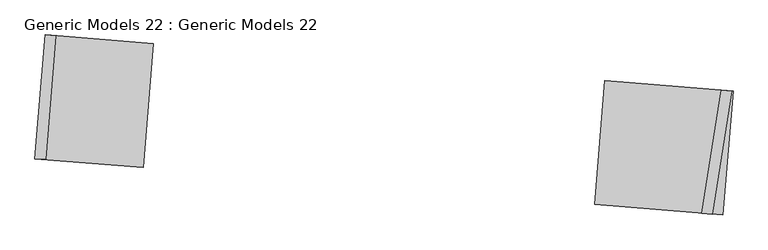
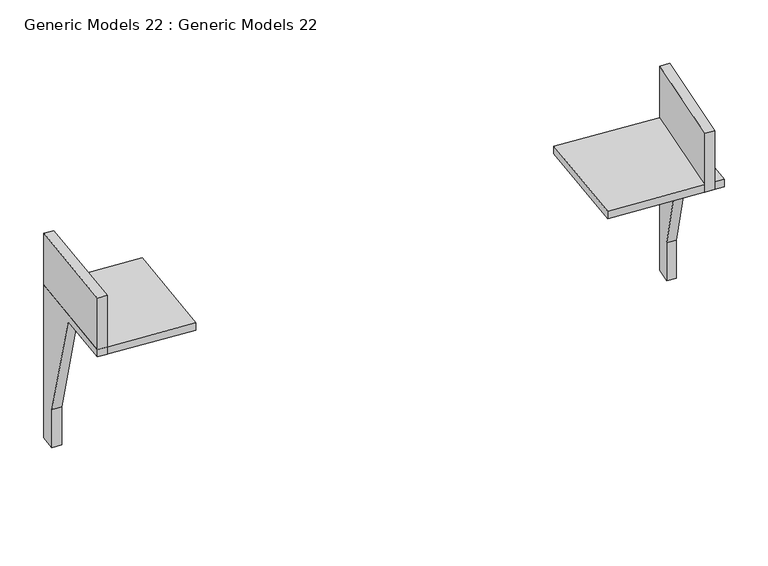
"""IFC4 building model written with IfcOpenShell, lengths in millimetres: proxy geometry, Generic Models 22 : Generic Models 22."""

from ifc_helpers import new_model, si_unit, frame, origin, place, context, project, spatial, polyline, outline, extrude, faceted_brep, source, transform, mapped, element, save


def generic_models_22_generic_models_22_e46c6d66(model_context):
    return source(origin(), model_context, "Body", "SolidModel", [
        faceted_brep([(-270075.4847325, 6352.2006479, 6940.0051752), (-270359.7913615, 2882.3856843, 6940.0051752), (-270060.7933726, 2857.8866516, 6940.0051752), (-269776.4867436, 6327.7016152, 6940.0051752), (-270075.4847325, 6352.2006479, 0.0), (-269776.4867436, 6327.7016152, 0.0), (-269820.0967498, 5795.4641058, 0.0), (-270119.0947387, 5819.9631385, 0.0), (-270119.0947387, 5819.9631385, 1287.2107307), (-270204.630821, 4776.0396143, 4940.0051752), (-270359.7913615, 2882.3856843, 4940.0051752), (-270060.7933726, 2857.8866516, 4940.0051752), (-269905.632832, 4751.5405816, 4940.0051752), (-269820.0967498, 5795.4641058, 1287.2107307)], [[[0, 1, 2, 3]], [[4, 5, 6, 7]], [[1, 0, 4, 7, 8, 9, 10]], [[2, 1, 10, 11]], [[3, 2, 11, 12, 13, 6, 5]], [[0, 3, 5, 4]], [[9, 12, 11, 10]], [[13, 8, 7, 6]], [[12, 9, 8, 13]]]),
        faceted_brep([(-251429.7430403, 1331.312131, 6940.0051752), (-250889.6090368, 4780.1653375, 6940.0051752), (-251189.4186045, 4804.7308686, 6940.0051752), (-251729.552608, 1355.8776621, 6940.0051752), (-251189.4186045, 4804.7308686, 0.0), (-250889.6090368, 4780.1653375, 0.0), (-250972.4605951, 4251.1431677, 0.0), (-251272.2701628, 4275.7086988, 0.0), (-251429.7430403, 1331.312131, 4940.0051752), (-251134.9645322, 3213.5261675, 4940.0051752), (-250972.4605951, 4251.1431677, 1287.2107307), (-251272.2701628, 4275.7086988, 1287.2107307), (-251434.7740999, 3238.0916986, 4940.0051752), (-251729.552608, 1355.8776621, 4940.0051752)], [[[0, 1, 2, 3]], [[4, 5, 6, 7]], [[1, 0, 8, 9, 10, 6, 5]], [[2, 1, 5, 4]], [[3, 2, 4, 7, 11, 12, 13]], [[0, 3, 13, 8]], [[12, 9, 8, 13]], [[10, 11, 7, 6]], [[9, 12, 11, 10]]]),
        extrude(outline(polyline([(-270359.7913615, 2882.3856843), (-270075.4847325, 6352.2006479), (-267050.8134444, 6104.3678076), (-267335.1200734, 2634.552844), (-270359.7913615, 2882.3856843)])), frame((0.0, 0.0, 4940.0051752), z_axis=(0.0, 0.0, 1.0), x_axis=(1.0, 0.0, 0.0)), (0.0, 0.0, 1.0), 251.6831106),
        extrude(outline(polyline([(-254716.0464151, 1600.5823498), (-254431.7397861, 5070.3973133), (-250852.6748467, 4777.1390565), (-251136.9814757, 1307.3240929), (-254716.0464151, 1600.5823498)])), frame((0.0, 0.0, 4940.0051752), z_axis=(0.0, 0.0, 1.0), x_axis=(1.0, 0.0, 0.0)), (0.0, 0.0, 1.0), 251.6831106),
    ])


if __name__ == "__main__":
    model = new_model("IFC4")
    model_context = context("Model", 3, world=origin())
    ifc_project = project(units=[si_unit("LENGTHUNIT", "METRE", prefix="MILLI")], contexts=[model_context])
    site = spatial("IfcSite", under=ifc_project)
    building = spatial("IfcBuilding", under=site)
    placement = place(None, origin())
    generic_models_22_generic_models_22_shape = generic_models_22_generic_models_22_e46c6d66(model_context)
    element("IfcBuildingElementProxy", 1, Name="Generic Models 22 : Generic Models 22", ObjectType="Generic Models 22 : Generic Models 22", at=placement, inside=building, context=model_context, shape_type="MappedRepresentation", body=[
        mapped(generic_models_22_generic_models_22_shape, transform((0.0, 0.0, 0.0), x_axis=(1.0, 0.0, 0.0), y_axis=(0.0, 1.0, 0.0), z_axis=(0.0, 0.0, 1.0))),
    ])
    save(model, "model.ifc")
